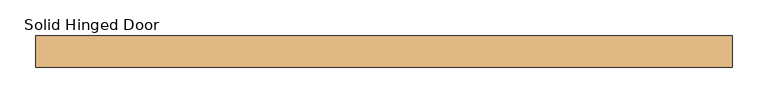
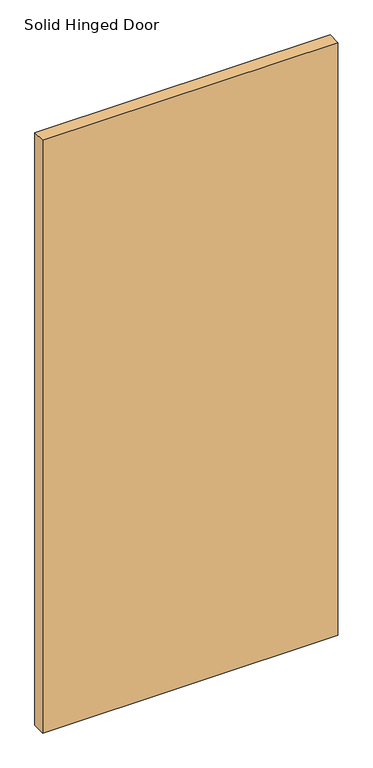
"""IFC4 building model written with IfcOpenShell, lengths in millimetres: door geometry, Solid Hinged Door."""

from ifc_helpers import new_model, si_unit, frame, origin, place, context, project, spatial, polyline, outline, extrude, source, transform, mapped, element, save


def solid_hinged_door_8fa4bc7d(model_context):
    return source(origin(), model_context, "Body", "SweptSolid", [
        extrude(outline(polyline([(490.4564326, -22.225), (-490.4564326, -22.225), (-490.4564326, 22.225), (490.4564326, 22.225), (490.4564326, -22.225)])), frame((0.0, 0.0, 12.7), z_axis=(0.0, 0.0, 1.0), x_axis=(1.0, 0.0, 0.0)), (0.0, 0.0, 1.0), 2081.2635027),
        extrude(outline(polyline([(465.0564326, 9.0035062), (-465.0564326, 9.0035062), (-465.0564326, 10.6037062), (465.0564326, 10.6037062), (465.0564326, 9.0035062)])), frame((0.0, 0.0, 12.7), z_axis=(0.0, 0.0, 1.0), x_axis=(1.0, 0.0, 0.0)), (0.0, 0.0, 1.0), 254.0),
        extrude(outline(polyline([(465.0564326, 20.6248), (-465.0564326, 20.6248), (-465.0564326, 22.225), (465.0564326, 22.225), (465.0564326, 20.6248)])), frame((0.0, 0.0, 12.7), z_axis=(0.0, 0.0, 1.0), x_axis=(1.0, 0.0, 0.0)), (0.0, 0.0, 1.0), 254.0),
    ])


if __name__ == "__main__":
    model = new_model("IFC4")
    model_context = context("Model", 3, world=origin())
    ifc_project = project(units=[si_unit("LENGTHUNIT", "METRE", prefix="MILLI")], contexts=[model_context])
    site = spatial("IfcSite", under=ifc_project)
    building = spatial("IfcBuilding", under=site)
    placement = place(None, origin())
    solid_hinged_door_shape = solid_hinged_door_8fa4bc7d(model_context)
    element("IfcDoor", 1, ObjectType="Solid Hinged Door", at=placement, inside=building, context=model_context, shape_type="MappedRepresentation", body=[
        mapped(solid_hinged_door_shape, transform((0.0, 0.0, 0.0), x_axis=(1.0, 0.0, 0.0), y_axis=(0.0, 1.0, 0.0), z_axis=(0.0, 0.0, 1.0))),
    ])
    save(model, "model.ifc")
